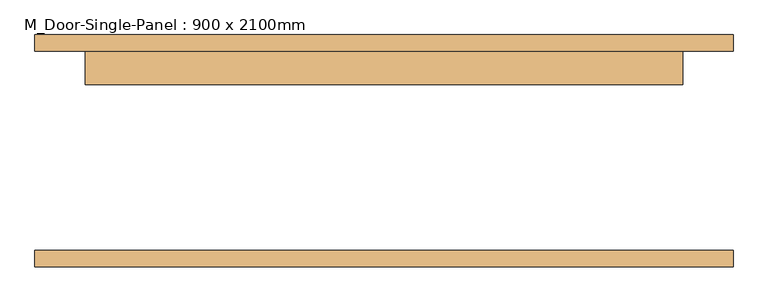
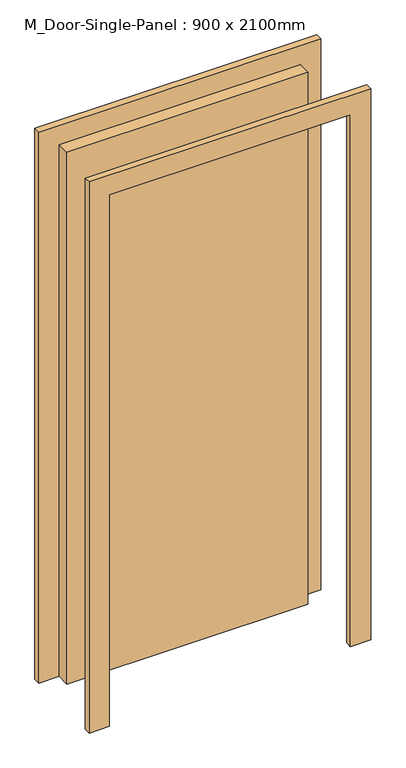
"""IFC4 building model written with IfcOpenShell, lengths in millimetres: door geometry, M_Door-Single-Panel : 900 x 2100mm."""

from ifc_helpers import new_model, si_unit, frame, origin, origin_with_axes, place, context, project, spatial, polyline, outline, extrude, source, transform, mapped, element, save


def m_door_single_panel_900_x_2100mm_265dd1a8(model_context):
    return source(origin(), model_context, "Body", "SweptSolid", [
        extrude(outline(polyline([(450.0, 100.0), (-450.0, 100.0), (-450.0, 150.0), (450.0, 150.0), (450.0, 100.0)])), origin_with_axes(), (0.0, 0.0, 1.0), 2100.0),
        extrude(outline(polyline([(2176.2, -526.2), (0.0, -526.2), (0.0, -450.0), (2100.0, -450.0), (2100.0, 450.0), (0.0, 450.0), (0.0, 526.2), (2176.2, 526.2), (2176.2, -526.2)])), frame((0.0, 150.0, 0.0), z_axis=(0.0, 1.0, 0.0), x_axis=(0.0, 0.0, 1.0)), (0.0, 0.0, 1.0), 25.0),
        extrude(outline(polyline([(2176.2, 526.2), (2176.2, -526.2), (0.0, -526.2), (0.0, -450.0), (2100.0, -450.0), (2100.0, 450.0), (0.0, 450.0), (0.0, 526.2), (2176.2, 526.2)])), frame((0.0, -175.0, 0.0), z_axis=(0.0, 1.0, 0.0), x_axis=(0.0, 0.0, 1.0)), (0.0, 0.0, 1.0), 25.0),
    ])


if __name__ == "__main__":
    model = new_model("IFC4")
    model_context = context("Model", 3, world=origin())
    ifc_project = project(units=[si_unit("LENGTHUNIT", "METRE", prefix="MILLI")], contexts=[model_context])
    site = spatial("IfcSite", under=ifc_project)
    building = spatial("IfcBuilding", under=site)
    placement = place(None, origin())
    m_door_single_panel_900_x_2100mm_shape = m_door_single_panel_900_x_2100mm_265dd1a8(model_context)
    element("IfcDoor", 1, ObjectType="M_Door-Single-Panel : 900 x 2100mm", at=placement, inside=building, context=model_context, shape_type="MappedRepresentation", body=[
        mapped(m_door_single_panel_900_x_2100mm_shape, transform((0.0, 0.0, 0.0), x_axis=(1.0, 0.0, 0.0), y_axis=(0.0, 1.0, 0.0), z_axis=(0.0, 0.0, 1.0))),
    ])
    save(model, "model.ifc")
